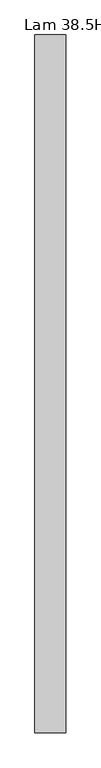
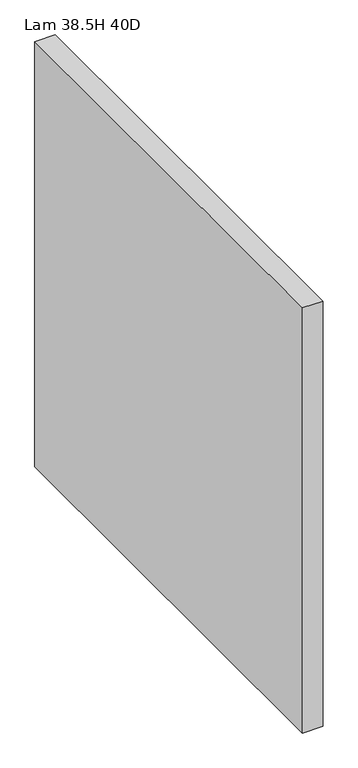
"""IFC4 building model written with IfcOpenShell, lengths in millimetres: furniture geometry, Lam 38.5H 40D."""

from ifc_helpers import new_model, si_unit, origin, origin_with_axes, place, context, project, spatial, polyline, outline, extrude, source, transform, mapped, element, save


def lam_38_5h_40d_d54ddd05(model_context):
    return source(origin(), model_context, "Body", "SweptSolid", [
        extrude(outline(polyline([(44.704, 0.0), (44.704, -1014.476), (0.0, -1014.476), (0.0, 0.0), (44.704, 0.0)])), origin_with_axes(), (0.0, 0.0, 1.0), 982.6752),
    ])


if __name__ == "__main__":
    model = new_model("IFC4")
    model_context = context("Model", 3, world=origin())
    ifc_project = project(units=[si_unit("LENGTHUNIT", "METRE", prefix="MILLI")], contexts=[model_context])
    site = spatial("IfcSite", under=ifc_project)
    building = spatial("IfcBuilding", under=site)
    placement = place(None, origin())
    lam_38_5h_40d_shape = lam_38_5h_40d_d54ddd05(model_context)
    element("IfcFurniture", 1, ObjectType="Lam 38.5H 40D", at=placement, inside=building, context=model_context, shape_type="MappedRepresentation", body=[
        mapped(lam_38_5h_40d_shape, transform((0.0, 0.0, 0.0), x_axis=(1.0, 0.0, 0.0), y_axis=(0.0, 1.0, 0.0), z_axis=(0.0, 0.0, 1.0))),
    ])
    save(model, "model.ifc")
